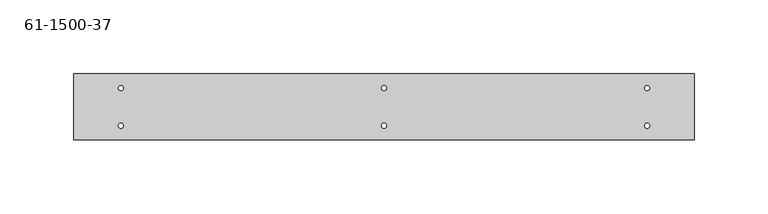
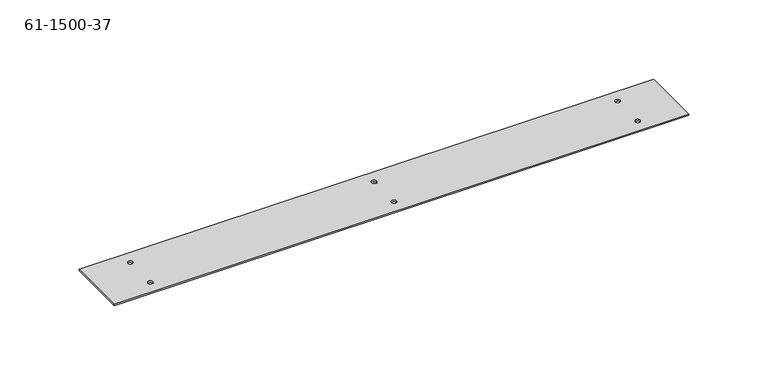
"""IFC4 building model written with IfcOpenShell, lengths in millimetres: proxy geometry, 61-1500-37."""

from ifc_helpers import new_model, si_unit, point, frame_2d, origin, origin_with_axes, place, context, project, spatial, polyline, circle_curve, trimmed, segment, composite_curve, outline, extrude, source, transform, mapped, element, save


def proxy_61_1500_37_2eaea83e(model_context):
    return source(origin(), model_context, "Body", "SweptSolid", [
        extrude(outline(polyline([(-243.2154563, 22.7865098), (175.8845437, 22.7865098), (175.8845437, -21.6634902), (-243.2154563, -21.6634902), (-243.2154563, 22.7865098)]), holes=[composite_curve([segment(trimmed(circle_curve(frame_2d((144.1345437, 13.2615098)), 1.7145), [point((142.4200437, 13.2615098))], [point((145.8490437, 13.2615098))], True, "CARTESIAN"), True, "CONTINUOUS"), segment(trimmed(circle_curve(frame_2d((144.1345437, 13.2615098)), 1.7145), [point((145.8490437, 13.2615098))], [point((142.4200437, 13.2615098))], True, "CARTESIAN"), True, "CONTINUOUS")], self_intersect=False), composite_curve([segment(trimmed(circle_curve(frame_2d((-33.6654563, 13.2615098)), 1.7145), [point((-35.3799563, 13.2615098))], [point((-31.9509563, 13.2615098))], True, "CARTESIAN"), True, "CONTINUOUS"), segment(trimmed(circle_curve(frame_2d((-33.6654563, 13.2615098)), 1.7145), [point((-31.9509563, 13.2615098))], [point((-35.3799563, 13.2615098))], True, "CARTESIAN"), True, "CONTINUOUS")], self_intersect=False), composite_curve([segment(trimmed(circle_curve(frame_2d((-211.4654563, 13.2615098)), 1.7145), [point((-213.1799563, 13.2615098))], [point((-209.7509563, 13.2615098))], True, "CARTESIAN"), True, "CONTINUOUS"), segment(trimmed(circle_curve(frame_2d((-211.4654563, 13.2615098)), 1.7145), [point((-209.7509563, 13.2615098))], [point((-213.1799563, 13.2615098))], True, "CARTESIAN"), True, "CONTINUOUS")], self_intersect=False), composite_curve([segment(trimmed(circle_curve(frame_2d((144.1345437, -12.1384902)), 1.7145), [point((142.4200437, -12.1384902))], [point((145.8490437, -12.1384902))], True, "CARTESIAN"), True, "CONTINUOUS"), segment(trimmed(circle_curve(frame_2d((144.1345437, -12.1384902)), 1.7145), [point((145.8490437, -12.1384902))], [point((142.4200437, -12.1384902))], True, "CARTESIAN"), True, "CONTINUOUS")], self_intersect=False), composite_curve([segment(trimmed(circle_curve(frame_2d((-33.6654563, -12.1384902)), 1.7145), [point((-35.3799563, -12.1384902))], [point((-31.9509563, -12.1384902))], True, "CARTESIAN"), True, "CONTINUOUS"), segment(trimmed(circle_curve(frame_2d((-33.6654563, -12.1384902)), 1.7145), [point((-31.9509563, -12.1384902))], [point((-35.3799563, -12.1384902))], True, "CARTESIAN"), True, "CONTINUOUS")], self_intersect=False), composite_curve([segment(trimmed(circle_curve(frame_2d((-211.4654563, -12.1384902)), 1.7145), [point((-213.1799563, -12.1384902))], [point((-209.7509563, -12.1384902))], True, "CARTESIAN"), True, "CONTINUOUS"), segment(trimmed(circle_curve(frame_2d((-211.4654563, -12.1384902)), 1.7145), [point((-209.7509563, -12.1384902))], [point((-213.1799563, -12.1384902))], True, "CARTESIAN"), True, "CONTINUOUS")], self_intersect=False)]), origin_with_axes(), (0.0, 0.0, 1.0), 1.00584),
    ])


if __name__ == "__main__":
    model = new_model("IFC4")
    model_context = context("Model", 3, world=origin())
    ifc_project = project(units=[si_unit("LENGTHUNIT", "METRE", prefix="MILLI")], contexts=[model_context])
    site = spatial("IfcSite", under=ifc_project)
    building = spatial("IfcBuilding", under=site)
    placement = place(None, origin())
    proxy_61_1500_37_shape = proxy_61_1500_37_2eaea83e(model_context)
    element("IfcBuildingElementProxy", 1, Name="61-1500-37", ObjectType="61-1500-37", at=placement, inside=building, context=model_context, shape_type="MappedRepresentation", body=[
        mapped(proxy_61_1500_37_shape, transform((0.0, 0.0, 0.0), x_axis=(1.0, 0.0, 0.0), y_axis=(0.0, 1.0, 0.0), z_axis=(0.0, 0.0, 1.0))),
    ])
    save(model, "model.ifc")
